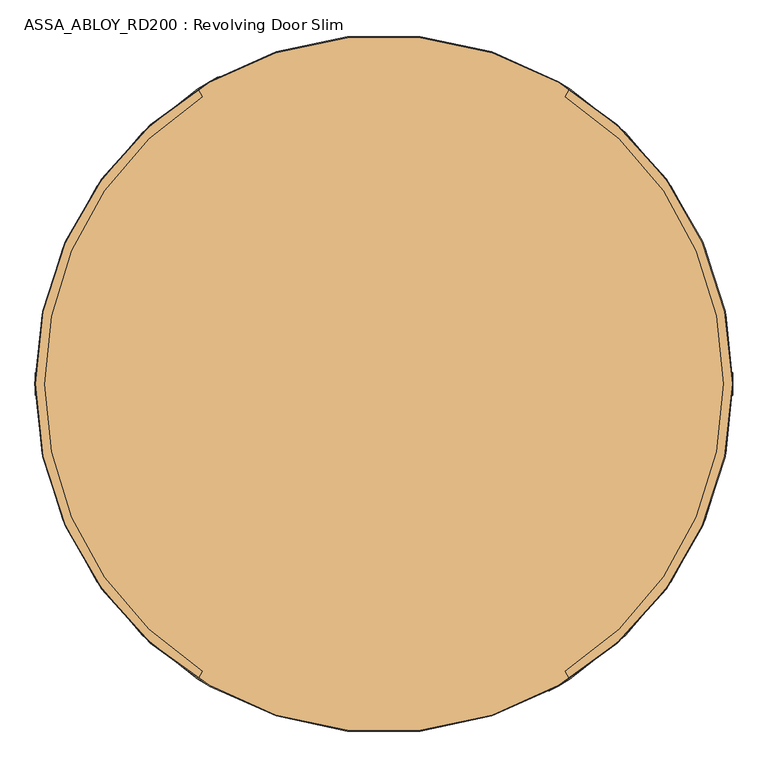
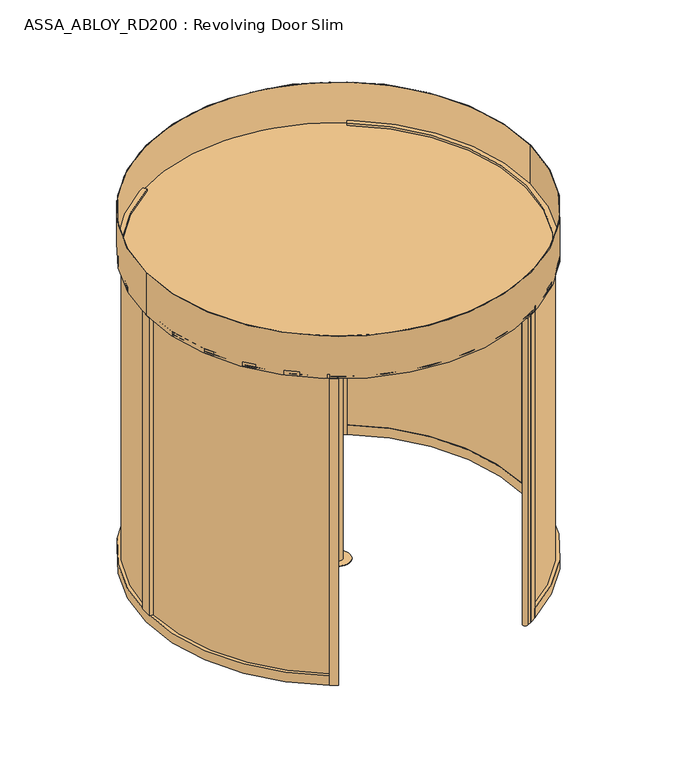
"""IFC4 building model written with IfcOpenShell, lengths in millimetres: door geometry, ASSA_ABLOY_RD200 : Revolving Door Slim."""

from ifc_helpers import new_model, si_unit, point, frame, frame_2d, origin, origin_with_axes, origin_2d, place, context, project, spatial, polyline, circle_curve, trimmed, segment, composite_curve, outline, extrude, source, transform, mapped, element, save


def assa_abloy_rd200_revolving_door_slim_b4590011(model_context):
    return source(origin(), model_context, "Body", "SweptSolid", [
        extrude(outline(polyline([(28.0, -1407.4407922), (47.8848654, -1414.768158), (47.8848654, -1418.3412198), (28.0, -1425.6685856), (28.0, -1422.8463846), (33.6340452, -1420.842363), (33.6340452, -1412.2721931), (28.0, -1410.2681716), (28.0, -1407.4407922)]), holes=[polyline([(35.9539462, -1413.126621), (35.9539462, -1420.0034703), (45.4562191, -1416.5546889), (35.9539462, -1413.126621)])]), frame((0.0, -22.0, 0.0), z_axis=(0.0, 1.0, 0.0), x_axis=(0.0, 0.0, 1.0)), (0.0, 0.0, 1.0), 2.0),
        extrude(outline(polyline([(33.6858287, -1389.8758278), (36.999973, -1391.0383674), (38.7709688, -1394.505273), (39.3172847, -1397.2731013), (39.7703904, -1399.7923687), (40.8500765, -1402.1355723), (42.794547, -1402.8009903), (45.0290052, -1401.4442625), (45.8963789, -1397.8556657), (45.2361392, -1393.8761034), (43.5764779, -1390.5386566), (46.7870552, -1390.5386566), (47.804601, -1393.7466447), (48.2162799, -1397.7262069), (46.6239371, -1403.269631), (42.5408079, -1405.4523057), (39.0195296, -1404.1292372), (37.1087183, -1400.061643), (36.6685585, -1397.4931812), (36.2283987, -1395.2405988), (35.2574581, -1393.1977395), (33.3129875, -1392.5271432), (30.8946979, -1393.9330653), (29.9884865, -1397.8660224), (30.6772071, -1401.6772883), (32.6398019, -1405.4523057), (29.2790525, -1405.4523057), (28.0750861, -1401.9051357), (27.6685856, -1397.9747678), (28.147583, -1394.4949163), (29.4810082, -1391.9678813), (31.3944087, -1390.4247329), (33.6858287, -1389.8758278)])), frame((0.0, -22.0, 0.0), z_axis=(0.0, 1.0, 0.0), x_axis=(0.0, 0.0, 1.0)), (0.0, 0.0, 1.0), 2.0),
        extrude(outline(polyline([(33.6858287, -1370.9852056), (36.999973, -1372.1477453), (38.7709688, -1375.6146508), (39.3172847, -1378.3824791), (39.7703904, -1380.9017466), (40.8500765, -1383.2449501), (42.794547, -1383.9103681), (45.0290052, -1382.5536403), (45.8963789, -1378.9650435), (45.2361392, -1374.9854813), (43.5764779, -1371.6480344), (46.7870552, -1371.6480344), (47.804601, -1374.8560225), (48.2162799, -1378.8355848), (46.6239371, -1384.3790088), (42.5408079, -1386.5616835), (39.0195296, -1385.238615), (37.1087183, -1381.1710208), (36.6685585, -1378.602559), (36.2283987, -1376.3499766), (35.2574581, -1374.3071174), (33.3129875, -1373.636521), (30.8946979, -1375.0424431), (29.9884865, -1378.9754002), (30.6772071, -1382.7866661), (32.6398019, -1386.5616835), (29.2790525, -1386.5616835), (28.0750861, -1383.0145135), (27.6685856, -1379.0841456), (28.147583, -1375.6042941), (29.4810082, -1373.0772591), (31.3944087, -1371.5341107), (33.6858287, -1370.9852056)])), frame((0.0, -22.0, 0.0), z_axis=(0.0, 1.0, 0.0), x_axis=(0.0, 0.0, 1.0)), (0.0, 0.0, 1.0), 2.0),
        extrude(outline(polyline([(28.0, -1350.7689257), (47.8848654, -1358.0962915), (47.8848654, -1361.6693533), (28.0, -1368.996719), (28.0, -1366.1745181), (33.6340452, -1364.1704965), (33.6340452, -1355.6003266), (28.0, -1353.596305), (28.0, -1350.7689257)]), holes=[polyline([(35.9539462, -1356.4547544), (35.9539462, -1363.3316037), (45.4562191, -1359.8828224), (35.9539462, -1356.4547544)])]), frame((0.0, -22.0, 0.0), z_axis=(0.0, 1.0, 0.0), x_axis=(0.0, 0.0, 1.0)), (0.0, 0.0, 1.0), 2.0),
        extrude(outline(polyline([(28.0, -1322.2672852), (47.8848654, -1329.594651), (47.8848654, -1333.1677128), (28.0, -1340.4950786), (28.0, -1337.6728776), (33.6340452, -1335.668856), (33.6340452, -1327.0986861), (28.0, -1325.0946645), (28.0, -1322.2672852)]), holes=[polyline([(35.9539462, -1327.953114), (35.9539462, -1334.8299633), (45.4562191, -1331.3811819), (35.9539462, -1327.953114)])]), frame((0.0, -22.0, 0.0), z_axis=(0.0, 1.0, 0.0), x_axis=(0.0, 0.0, 1.0)), (0.0, 0.0, 1.0), 2.0),
        extrude(outline(polyline([(34.1311668, -1304.0394919), (37.561824, -1305.2097991), (39.4441543, -1308.4100196), (41.0597997, -1306.4370681), (43.4521975, -1305.696564), (45.5960346, -1306.2014532), (47.0615077, -1307.824866), (47.7269258, -1309.9402222), (47.8848654, -1313.2673123), (47.8848654, -1319.2845554), (28.0, -1319.2845554), (28.0, -1312.1177185), (28.3754304, -1308.6482237), (29.6311804, -1306.1419022), (31.5083324, -1304.6091105), (34.1311668, -1304.0394919)]), holes=[polyline([(41.5595105, -1309.6631804), (39.9309193, -1313.0498216), (39.9309193, -1316.63324), (45.5649645, -1316.63324), (45.5649645, -1313.3294525), (45.4795217, -1311.0069623), (41.5595105, -1309.6631804)]), polyline([(34.0172431, -1306.6908073), (32.3187442, -1307.0507027), (31.148437, -1308.1821722), (30.4985541, -1310.0645026), (30.319901, -1313.0083948), (30.319901, -1316.63324), (37.6110183, -1316.63324), (37.6110183, -1312.3352092), (37.5126296, -1310.0308433), (37.0828266, -1308.4203763), (35.8995735, -1307.0636485), (34.0172431, -1306.6908073)])]), frame((0.0, -22.0, 0.0), z_axis=(0.0, 1.0, 0.0), x_axis=(0.0, 0.0, 1.0)), (0.0, 0.0, 1.0), 2.0),
        extrude(outline(polyline([(28.0, -1287.8001851), (30.319901, -1287.8001851), (30.319901, -1297.7426179), (47.8848654, -1297.7426179), (47.8848654, -1300.3939332), (28.0, -1300.3939332), (28.0, -1287.8001851)])), frame((0.0, -22.0, 0.0), z_axis=(0.0, 1.0, 0.0), x_axis=(0.0, 0.0, 1.0)), (0.0, 0.0, 1.0), 2.0),
        extrude(outline(polyline([(45.5390727, -1270.3905712), (47.5197917, -1273.2464314), (48.2162799, -1277.0343947), (47.5275593, -1280.7861095), (45.5390727, -1283.6678615), (42.2611769, -1285.5113543), (37.9372544, -1286.143113), (33.5770834, -1285.5035867), (30.3561494, -1283.6782182), (28.3573062, -1280.7990554), (27.6685856, -1277.0343947), (28.3443603, -1273.2593773), (30.3561494, -1270.3905712), (33.571905, -1268.5677918), (37.9372544, -1267.9153197), (42.292247, -1268.554846), (45.5390727, -1270.3905712)]), holes=[polyline([(37.9372544, -1270.5666351), (32.0339349, -1272.3169175), (29.9884865, -1277.024038), (32.0339349, -1281.7337477), (37.9372544, -1283.4917976), (43.8250388, -1281.7674069), (45.8963789, -1277.024038), (43.8250388, -1272.2962041), (37.9372544, -1270.5666351)])]), frame((0.0, -22.0, 0.0), z_axis=(0.0, 1.0, 0.0), x_axis=(0.0, 0.0, 1.0)), (0.0, 0.0, 1.0), 2.0),
        extrude(outline(polyline([(47.8848654, -1249.0246975), (47.8848654, -1252.1938479), (38.9884595, -1257.6259375), (47.8848654, -1263.1149889), (47.8848654, -1266.2582476), (36.4407111, -1258.9671302), (28.0, -1258.9671302), (28.0, -1256.3158148), (36.720342, -1256.3158148), (47.8848654, -1249.0246975)])), frame((0.0, -22.0, 0.0), z_axis=(0.0, 1.0, 0.0), x_axis=(0.0, 0.0, 1.0)), (0.0, 0.0, 1.0), 2.0),
        extrude(outline(polyline([(28.0, -1267.9153197), (28.0, -1265.0879404), (33.6340452, -1263.0839188), (33.6340452, -1254.5137489), (28.0, -1252.5097273), (28.0, -1249.6875264), (47.8848654, -1257.0148921), (47.8848654, -1260.5879539), (28.0, -1267.9153197)]), holes=[polyline([(35.9539462, -1262.229491), (45.4562191, -1258.801423), (35.9539462, -1255.3526417), (35.9539462, -1262.229491)])]), frame((0.0, 20.0, 0.0), z_axis=(0.0, 1.0, 0.0), x_axis=(0.0, 0.0, 1.0)), (0.0, 0.0, 1.0), 2.0),
        extrude(outline(polyline([(33.6858287, -1285.4802842), (31.3944087, -1284.931379), (29.4810082, -1283.3882306), (28.147583, -1280.8611956), (27.6685856, -1277.3813442), (28.0750861, -1273.4509762), (29.2790525, -1269.9038062), (32.6398019, -1269.9038062), (30.6772071, -1273.6788237), (29.9884865, -1277.4900895), (30.8946979, -1281.4230466), (33.3129875, -1282.8289688), (35.2574581, -1282.1583724), (36.2283987, -1280.1155132), (36.6685585, -1277.8629308), (37.1087183, -1275.294469), (39.0195296, -1271.2268747), (42.5408079, -1269.9038062), (46.6239371, -1272.0864809), (48.2162799, -1277.629905), (47.804601, -1281.6094673), (46.7870552, -1284.8174553), (43.5764779, -1284.8174553), (45.2361392, -1281.4800085), (45.8963789, -1277.5004462), (45.0290052, -1273.9118494), (42.794547, -1272.5551216), (40.8500765, -1273.2205396), (39.7703904, -1275.5637432), (39.3172847, -1278.0830106), (38.7709688, -1280.8508389), (36.999973, -1284.3177445), (33.6858287, -1285.4802842)])), frame((0.0, 20.0, 0.0), z_axis=(0.0, 1.0, 0.0), x_axis=(0.0, 0.0, 1.0)), (0.0, 0.0, 1.0), 2.0),
        extrude(outline(polyline([(33.6858287, -1304.3709063), (31.3944087, -1303.8220012), (29.4810082, -1302.2788528), (28.147583, -1299.7518178), (27.6685856, -1296.2719663), (28.0750861, -1292.3415984), (29.2790525, -1288.7944284), (32.6398019, -1288.7944284), (30.6772071, -1292.5694458), (29.9884865, -1296.3807117), (30.8946979, -1300.3136688), (33.3129875, -1301.7195909), (35.2574581, -1301.0489946), (36.2283987, -1299.0061353), (36.6685585, -1296.7535529), (37.1087183, -1294.1850911), (39.0195296, -1290.1174969), (42.5408079, -1288.7944284), (46.6239371, -1290.9771031), (48.2162799, -1296.5205272), (47.804601, -1300.5000894), (46.7870552, -1303.7080775), (43.5764779, -1303.7080775), (45.2361392, -1300.3706307), (45.8963789, -1296.3910684), (45.0290052, -1292.8024716), (42.794547, -1291.4457438), (40.8500765, -1292.1111618), (39.7703904, -1294.4543654), (39.3172847, -1296.9736328), (38.7709688, -1299.7414611), (36.999973, -1303.2083667), (33.6858287, -1304.3709063)])), frame((0.0, 20.0, 0.0), z_axis=(0.0, 1.0, 0.0), x_axis=(0.0, 0.0, 1.0)), (0.0, 0.0, 1.0), 2.0),
        extrude(outline(polyline([(28.0, -1324.5871862), (28.0, -1321.7598069), (33.6340452, -1319.7557853), (33.6340452, -1311.1856154), (28.0, -1309.1815938), (28.0, -1306.3593929), (47.8848654, -1313.6867587), (47.8848654, -1317.2598204), (28.0, -1324.5871862)]), holes=[polyline([(35.9539462, -1318.9013575), (45.4562191, -1315.4732895), (35.9539462, -1312.0245082), (35.9539462, -1318.9013575)])]), frame((0.0, 20.0, 0.0), z_axis=(0.0, 1.0, 0.0), x_axis=(0.0, 0.0, 1.0)), (0.0, 0.0, 1.0), 2.0),
        extrude(outline(polyline([(28.0, -1353.0888267), (28.0, -1350.2614474), (33.6340452, -1348.2574258), (33.6340452, -1339.6872559), (28.0, -1337.6832343), (28.0, -1334.8610334), (47.8848654, -1342.1883991), (47.8848654, -1345.7614609), (28.0, -1353.0888267)]), holes=[polyline([(35.9539462, -1347.402998), (45.4562191, -1343.97493), (35.9539462, -1340.5261487), (35.9539462, -1347.402998)])]), frame((0.0, 20.0, 0.0), z_axis=(0.0, 1.0, 0.0), x_axis=(0.0, 0.0, 1.0)), (0.0, 0.0, 1.0), 2.0),
        extrude(outline(polyline([(34.1311668, -1371.31662), (31.5083324, -1370.7470015), (29.6311804, -1369.2142098), (28.3754304, -1366.7078882), (28.0, -1363.2383934), (28.0, -1356.0715565), (47.8848654, -1356.0715565), (47.8848654, -1362.0887996), (47.7269258, -1365.4158898), (47.0615077, -1367.5312459), (45.5960346, -1369.1546587), (43.4521975, -1369.6595479), (41.0597997, -1368.9190438), (39.4441543, -1366.9460923), (37.561824, -1370.1463128), (34.1311668, -1371.31662)]), holes=[polyline([(41.5595105, -1365.6929315), (45.4795217, -1364.3491496), (45.5649645, -1362.0266594), (45.5649645, -1358.7228719), (39.9309193, -1358.7228719), (39.9309193, -1362.3062904), (41.5595105, -1365.6929315)]), polyline([(34.0172431, -1368.6653046), (35.8995735, -1368.2924634), (37.0828266, -1366.9357356), (37.5126296, -1365.3252686), (37.6110183, -1363.0209027), (37.6110183, -1358.7228719), (30.319901, -1358.7228719), (30.319901, -1362.3477172), (30.4985541, -1365.2916094), (31.148437, -1367.1739397), (32.3187442, -1368.3054093), (34.0172431, -1368.6653046)])]), frame((0.0, 20.0, 0.0), z_axis=(0.0, 1.0, 0.0), x_axis=(0.0, 0.0, 1.0)), (0.0, 0.0, 1.0), 2.0),
        extrude(outline(polyline([(28.0, -1387.5559268), (28.0, -1374.9621787), (47.8848654, -1374.9621787), (47.8848654, -1377.6134941), (30.319901, -1377.6134941), (30.319901, -1387.5559268), (28.0, -1387.5559268)])), frame((0.0, 20.0, 0.0), z_axis=(0.0, 1.0, 0.0), x_axis=(0.0, 0.0, 1.0)), (0.0, 0.0, 1.0), 2.0),
        extrude(outline(polyline([(45.5390727, -1404.9655408), (42.292247, -1406.801266), (37.9372544, -1407.4407922), (33.571905, -1406.7883201), (30.3561494, -1404.9655408), (28.3443603, -1402.0967347), (27.6685856, -1398.3217172), (28.3573062, -1394.5570565), (30.3561494, -1391.6778937), (33.5770834, -1389.8525252), (37.9372544, -1389.2129989), (42.2611769, -1389.8447577), (45.5390727, -1391.6882504), (47.5275593, -1394.5700024), (48.2162799, -1398.3217172), (47.5197917, -1402.1096805), (45.5390727, -1404.9655408)]), holes=[polyline([(37.9372544, -1404.7894769), (43.8250388, -1403.0599078), (45.8963789, -1398.3320739), (43.8250388, -1393.588705), (37.9372544, -1391.8643143), (32.0339349, -1393.6223643), (29.9884865, -1398.3320739), (32.0339349, -1403.0391944), (37.9372544, -1404.7894769)])]), frame((0.0, 20.0, 0.0), z_axis=(0.0, 1.0, 0.0), x_axis=(0.0, 0.0, 1.0)), (0.0, 0.0, 1.0), 2.0),
        extrude(outline(polyline([(47.8848654, -1426.3314144), (36.720342, -1419.0402971), (28.0, -1419.0402971), (28.0, -1416.3889817), (36.4407111, -1416.3889817), (47.8848654, -1409.0978644), (47.8848654, -1412.241123), (38.9884595, -1417.7301744), (47.8848654, -1423.162264), (47.8848654, -1426.3314144)])), frame((0.0, 20.0, 0.0), z_axis=(0.0, 1.0, 0.0), x_axis=(0.0, 0.0, 1.0)), (0.0, 0.0, 1.0), 2.0),
        extrude(outline(composite_curve([segment(polyline([(-750.0, 1299.0381057), (-770.0, 1333.6791218)]), True, "CONTINUOUS"), segment(trimmed(circle_curve(origin_2d(), 1540.0), [point((-770.0, 1333.6791218))], [point((-735.0991998, 1353.2291626))], False, "CARTESIAN"), True, "CONTINUOUS"), segment(trimmed(circle_curve(frame_2d((-725.5459259, 1335.642735)), 20.0136823), [point((-735.0991998, 1353.2291626))], [point((-715.0922698, 1318.5761433))], False, "CARTESIAN"), True, "CONTINUOUS"), segment(trimmed(circle_curve(origin_2d(), 1500.0), [point((-715.0922698, 1318.5761433))], [point((-750.0, 1299.0381057))], True, "CARTESIAN"), True, "CONTINUOUS")], self_intersect=False)), origin_with_axes(), (0.0, 0.0, 1.0), 2600.0),
        extrude(outline(composite_curve([segment(polyline([(750.0, -1299.0381057), (770.0, -1333.6791218)]), True, "CONTINUOUS"), segment(trimmed(circle_curve(origin_2d(), 1540.0), [point((770.0, -1333.6791218))], [point((735.0991998, -1353.2291626))], False, "CARTESIAN"), True, "CONTINUOUS"), segment(trimmed(circle_curve(frame_2d((725.5459259, -1335.642735)), 20.0136823), [point((735.0991998, -1353.2291626))], [point((715.0922698, -1318.5761433))], False, "CARTESIAN"), True, "CONTINUOUS"), segment(trimmed(circle_curve(origin_2d(), 1500.0), [point((715.0922698, -1318.5761433))], [point((750.0, -1299.0381057))], True, "CARTESIAN"), True, "CONTINUOUS")], self_intersect=False)), origin_with_axes(), (0.0, 0.0, 1.0), 2600.0),
        extrude(outline(composite_curve([segment(trimmed(circle_curve(origin_2d(), 1526.0), [point((-1526.0, 0.0))], [point((1526.0, 0.0))], False, "CARTESIAN"), True, "CONTINUOUS"), segment(trimmed(circle_curve(origin_2d(), 1526.0), [point((1526.0, 0.0))], [point((-1526.0, 0.0))], False, "CARTESIAN"), True, "CONTINUOUS")], self_intersect=False)), frame((0.0, 0.0, 2600.0), z_axis=(0.0, 0.0, 1.0), x_axis=(1.0, 0.0, 0.0)), (0.0, 0.0, 1.0), 16.0),
        extrude(outline(composite_curve([segment(polyline([(-821.3768867, 1302.4599245), (-801.361284, 1267.7918838)]), True, "CONTINUOUS"), segment(trimmed(circle_curve(frame_2d((0.0, -0.2065754)), 1500.0), [point((-801.361284, 1267.7918838))], [point((-801.361284, -1268.2050346))], True, "CARTESIAN"), True, "CONTINUOUS"), segment(polyline([(-801.361284, -1268.2050346), (-821.3768867, -1302.8730753)]), True, "CONTINUOUS"), segment(trimmed(circle_curve(frame_2d((0.0, -0.2065754)), 1540.0), [point((-821.3768867, -1302.8730753))], [point((-821.3768867, 1302.4599245))], False, "CARTESIAN"), True, "CONTINUOUS")], self_intersect=False)), frame((0.0, 0.0, 2603.0), z_axis=(0.0, 0.0, 1.0), x_axis=(1.0, 0.0, 0.0)), (0.0, 0.0, 1.0), 35.0),
        extrude(outline(composite_curve([segment(polyline([(-821.3768867, -1302.8730753), (-801.361284, -1268.2050346)]), True, "CONTINUOUS"), segment(trimmed(circle_curve(frame_2d((0.0, -0.2065754)), 1500.0), [point((-801.361284, -1268.2050346))], [point((-750.0, -1299.2446811))], True, "CARTESIAN"), True, "CONTINUOUS"), segment(polyline([(-750.0, -1299.2446811), (-770.0, -1333.8856972)]), True, "CONTINUOUS"), segment(trimmed(circle_curve(frame_2d((0.0, -0.2065754)), 1540.0), [point((-770.0, -1333.8856972))], [point((-821.3768867, -1302.8730753))], False, "CARTESIAN"), True, "CONTINUOUS")], self_intersect=False)), frame((0.0, 0.0, 3.0), z_axis=(0.0, 0.0, 1.0), x_axis=(1.0, 0.0, 0.0)), (0.0, 0.0, 1.0), 2600.0),
        extrude(outline(composite_curve([segment(polyline([(-770.0, 1333.4725464), (-750.0, 1298.8315303)]), True, "CONTINUOUS"), segment(trimmed(circle_curve(frame_2d((0.0, -0.2065754)), 1500.0), [point((-750.0, 1298.8315303))], [point((-801.361284, 1267.7918838))], True, "CARTESIAN"), True, "CONTINUOUS"), segment(polyline([(-801.361284, 1267.7918838), (-821.3768867, 1302.4599245)]), True, "CONTINUOUS"), segment(trimmed(circle_curve(frame_2d((0.0, -0.2065754)), 1540.0), [point((-821.3768867, 1302.4599245))], [point((-770.0, 1333.4725464))], False, "CARTESIAN"), True, "CONTINUOUS")], self_intersect=False)), frame((0.0, 0.0, 3.0), z_axis=(0.0, 0.0, 1.0), x_axis=(1.0, 0.0, 0.0)), (0.0, 0.0, 1.0), 2600.0),
        extrude(outline(composite_curve([segment(polyline([(-1512.1736011, -50.2065754), (-1504.1692059, -50.2065754)]), True, "CONTINUOUS"), segment(trimmed(circle_curve(frame_2d((0.0, -0.2065754)), 1505.0), [point((-1504.1692059, -50.2065754))], [point((-803.8632798, -1272.5386183))], True, "CARTESIAN"), True, "CONTINUOUS"), segment(polyline([(-803.8632798, -1272.5386183), (-807.8664455, -1279.4723047)]), True, "CONTINUOUS"), segment(trimmed(circle_curve(frame_2d((0.0, -0.2065754)), 1513.0), [point((-807.8664455, -1279.4723047))], [point((-1512.1736011, -50.2065754))], False, "CARTESIAN"), True, "CONTINUOUS")], self_intersect=False)), frame((0.0, 0.0, 83.0), z_axis=(0.0, 0.0, 1.0), x_axis=(1.0, 0.0, 0.0)), (0.0, 0.0, 1.0), 2520.0),
        extrude(outline(composite_curve([segment(polyline([(-807.8664455, 1279.0591539), (-803.8632798, 1272.1254675)]), True, "CONTINUOUS"), segment(trimmed(circle_curve(frame_2d((0.0, -0.2065754)), 1505.0), [point((-803.8632798, 1272.1254675))], [point((-1504.1692059, 49.7934246))], True, "CARTESIAN"), True, "CONTINUOUS"), segment(polyline([(-1504.1692059, 49.7934246), (-1512.1736011, 49.7934246)]), True, "CONTINUOUS"), segment(trimmed(circle_curve(frame_2d((0.0, -0.2065754)), 1513.0), [point((-1512.1736011, 49.7934246))], [point((-807.8664455, 1279.0591539))], False, "CARTESIAN"), True, "CONTINUOUS")], self_intersect=False)), frame((0.0, 0.0, 83.0), z_axis=(0.0, 0.0, 1.0), x_axis=(1.0, 0.0, 0.0)), (0.0, 0.0, 1.0), 2520.0),
        extrude(outline(polyline([(-1540.0, -50.2065754), (-1540.0, 49.7934246), (-1500.0, 49.7934246), (-1500.0, -50.2065754), (-1540.0, -50.2065754)])), frame((0.0, 0.0, 83.0), z_axis=(0.0, 0.0, 1.0), x_axis=(1.0, 0.0, 0.0)), (0.0, 0.0, 1.0), 2520.0),
        extrude(outline(composite_curve([segment(polyline([(-821.3768867, 1302.4599245), (-801.361284, 1267.7918838)]), True, "CONTINUOUS"), segment(trimmed(circle_curve(frame_2d((0.0, -0.2065754)), 1500.0), [point((-801.361284, 1267.7918838))], [point((-801.361284, -1268.2050346))], True, "CARTESIAN"), True, "CONTINUOUS"), segment(polyline([(-801.361284, -1268.2050346), (-821.3768867, -1302.8730753)]), True, "CONTINUOUS"), segment(trimmed(circle_curve(frame_2d((0.0, -0.2065754)), 1540.0), [point((-821.3768867, -1302.8730753))], [point((-821.3768867, 1302.4599245))], False, "CARTESIAN"), True, "CONTINUOUS")], self_intersect=False)), frame((0.0, 0.0, 3.0), z_axis=(0.0, 0.0, 1.0), x_axis=(1.0, 0.0, 0.0)), (0.0, 0.0, 1.0), 80.0),
        extrude(outline(composite_curve([segment(trimmed(circle_curve(origin_2d(), 1540.0), [point((821.3768867, 1302.6664999))], [point((821.3768867, -1302.6664999))], False, "CARTESIAN"), True, "CONTINUOUS"), segment(polyline([(821.3768867, -1302.6664999), (801.361284, -1267.9984592)]), True, "CONTINUOUS"), segment(trimmed(circle_curve(origin_2d(), 1500.0), [point((801.361284, -1267.9984592))], [point((801.361284, 1267.9984592))], True, "CARTESIAN"), True, "CONTINUOUS"), segment(polyline([(801.361284, 1267.9984592), (821.3768867, 1302.6664999)]), True, "CONTINUOUS")], self_intersect=False)), frame((0.0, 0.0, 2600.0), z_axis=(0.0, 0.0, 1.0), x_axis=(1.0, 0.0, 0.0)), (0.0, 0.0, 1.0), 35.0),
        extrude(outline(composite_curve([segment(trimmed(circle_curve(origin_2d(), 1540.0), [point((821.3768867, -1302.6664999))], [point((770.0, -1333.6791218))], False, "CARTESIAN"), True, "CONTINUOUS"), segment(polyline([(770.0, -1333.6791218), (750.0, -1299.0381057)]), True, "CONTINUOUS"), segment(trimmed(circle_curve(origin_2d(), 1500.0), [point((750.0, -1299.0381057))], [point((801.361284, -1267.9984592))], True, "CARTESIAN"), True, "CONTINUOUS"), segment(polyline([(801.361284, -1267.9984592), (821.3768867, -1302.6664999)]), True, "CONTINUOUS")], self_intersect=False)), origin_with_axes(), (0.0, 0.0, 1.0), 2600.0),
        extrude(outline(composite_curve([segment(trimmed(circle_curve(origin_2d(), 1540.0), [point((770.0, 1333.6791218))], [point((821.3768867, 1302.6664999))], False, "CARTESIAN"), True, "CONTINUOUS"), segment(polyline([(821.3768867, 1302.6664999), (801.361284, 1267.9984592)]), True, "CONTINUOUS"), segment(trimmed(circle_curve(origin_2d(), 1500.0), [point((801.361284, 1267.9984592))], [point((750.0, 1299.0381057))], True, "CARTESIAN"), True, "CONTINUOUS"), segment(polyline([(750.0, 1299.0381057), (770.0, 1333.6791218)]), True, "CONTINUOUS")], self_intersect=False)), origin_with_axes(), (0.0, 0.0, 1.0), 2600.0),
        extrude(outline(composite_curve([segment(trimmed(circle_curve(origin_2d(), 1513.0), [point((1512.1736011, -50.0))], [point((807.8664455, -1279.2657293))], False, "CARTESIAN"), True, "CONTINUOUS"), segment(polyline([(807.8664455, -1279.2657293), (803.8632798, -1272.3320429)]), True, "CONTINUOUS"), segment(trimmed(circle_curve(origin_2d(), 1505.0), [point((803.8632798, -1272.3320429))], [point((1504.1692059, -50.0))], True, "CARTESIAN"), True, "CONTINUOUS"), segment(polyline([(1504.1692059, -50.0), (1512.1736011, -50.0)]), True, "CONTINUOUS")], self_intersect=False)), frame((0.0, 0.0, 80.0), z_axis=(0.0, 0.0, 1.0), x_axis=(1.0, 0.0, 0.0)), (0.0, 0.0, 1.0), 2520.0),
        extrude(outline(composite_curve([segment(trimmed(circle_curve(origin_2d(), 1513.0), [point((807.8664455, 1279.2657293))], [point((1512.1736011, 50.0))], False, "CARTESIAN"), True, "CONTINUOUS"), segment(polyline([(1512.1736011, 50.0), (1504.1692059, 50.0)]), True, "CONTINUOUS"), segment(trimmed(circle_curve(origin_2d(), 1505.0), [point((1504.1692059, 50.0))], [point((803.8632798, 1272.3320429))], True, "CARTESIAN"), True, "CONTINUOUS"), segment(polyline([(803.8632798, 1272.3320429), (807.8664455, 1279.2657293)]), True, "CONTINUOUS")], self_intersect=False)), frame((0.0, 0.0, 80.0), z_axis=(0.0, 0.0, 1.0), x_axis=(1.0, 0.0, 0.0)), (0.0, 0.0, 1.0), 2520.0),
        extrude(outline(polyline([(1540.0, -50.0), (1500.0, -50.0), (1500.0, 50.0), (1540.0, 50.0), (1540.0, -50.0)])), frame((0.0, 0.0, 80.0), z_axis=(0.0, 0.0, 1.0), x_axis=(1.0, 0.0, 0.0)), (0.0, 0.0, 1.0), 2520.0),
        extrude(outline(composite_curve([segment(trimmed(circle_curve(origin_2d(), 1540.0), [point((821.3768867, 1302.6664999))], [point((821.3768867, -1302.6664999))], False, "CARTESIAN"), True, "CONTINUOUS"), segment(polyline([(821.3768867, -1302.6664999), (801.361284, -1267.9984592)]), True, "CONTINUOUS"), segment(trimmed(circle_curve(origin_2d(), 1500.0), [point((801.361284, -1267.9984592))], [point((801.361284, 1267.9984592))], True, "CARTESIAN"), True, "CONTINUOUS"), segment(polyline([(801.361284, 1267.9984592), (821.3768867, 1302.6664999)]), True, "CONTINUOUS")], self_intersect=False)), origin_with_axes(), (0.0, 0.0, 1.0), 80.0),
        extrude(outline(composite_curve([segment(trimmed(circle_curve(origin_2d(), 1541.0), [point((-1541.0, 0.0))], [point((1541.0, 0.0))], False, "CARTESIAN"), True, "CONTINUOUS"), segment(trimmed(circle_curve(origin_2d(), 1541.0), [point((1541.0, 0.0))], [point((-1541.0, 0.0))], False, "CARTESIAN"), True, "CONTINUOUS")], self_intersect=False), holes=[composite_curve([segment(trimmed(circle_curve(origin_2d(), 1537.0), [point((-1537.0, 0.0))], [point((1537.0, 0.0))], True, "CARTESIAN"), True, "CONTINUOUS"), segment(trimmed(circle_curve(origin_2d(), 1537.0), [point((1537.0, 0.0))], [point((-1537.0, 0.0))], True, "CARTESIAN"), True, "CONTINUOUS")], self_intersect=False)]), frame((0.0, 0.0, 2600.0), z_axis=(0.0, 0.0, 1.0), x_axis=(1.0, 0.0, 0.0)), (0.0, 0.0, 1.0), 360.0),
        extrude(outline(composite_curve([segment(trimmed(circle_curve(origin_2d(), 1541.0), [point((-1541.0, 0.0))], [point((1541.0, 0.0))], False, "CARTESIAN"), True, "CONTINUOUS"), segment(trimmed(circle_curve(origin_2d(), 1541.0), [point((1541.0, 0.0))], [point((-1541.0, 0.0))], False, "CARTESIAN"), True, "CONTINUOUS")], self_intersect=False)), frame((0.0, 0.0, 2600.0), z_axis=(0.0, 0.0, 1.0), x_axis=(1.0, 0.0, 0.0)), (0.0, 0.0, 1.0), 18.0),
        extrude(outline(composite_curve([segment(trimmed(circle_curve(origin_2d(), 34.0), [point((-34.0, 0.0))], [point((34.0, 0.0))], False, "CARTESIAN"), True, "CONTINUOUS"), segment(trimmed(circle_curve(origin_2d(), 34.0), [point((34.0, 0.0))], [point((-34.0, 0.0))], False, "CARTESIAN"), True, "CONTINUOUS")], self_intersect=False)), origin_with_axes(), (0.0, 0.0, 1.0), 2600.0),
        extrude(outline(composite_curve([segment(trimmed(circle_curve(origin_2d(), 94.0), [point((-94.0, 0.0))], [point((94.0, 0.0))], False, "CARTESIAN"), True, "CONTINUOUS"), segment(trimmed(circle_curve(origin_2d(), 94.0), [point((94.0, 0.0))], [point((-94.0, 0.0))], False, "CARTESIAN"), True, "CONTINUOUS")], self_intersect=False)), origin_with_axes(), (0.0, 0.0, 1.0), 3.0),
    ])


if __name__ == "__main__":
    model = new_model("IFC4")
    model_context = context("Model", 3, world=origin())
    ifc_project = project(units=[si_unit("LENGTHUNIT", "METRE", prefix="MILLI")], contexts=[model_context])
    site = spatial("IfcSite", under=ifc_project)
    building = spatial("IfcBuilding", under=site)
    placement = place(None, origin())
    assa_abloy_rd200_revolving_door_slim_shape = assa_abloy_rd200_revolving_door_slim_b4590011(model_context)
    element("IfcDoor", 1, ObjectType="ASSA_ABLOY_RD200 : Revolving Door Slim", at=placement, inside=building, context=model_context, shape_type="MappedRepresentation", body=[
        mapped(assa_abloy_rd200_revolving_door_slim_shape, transform((0.0, 0.0, 0.0), x_axis=(1.0, 0.0, 0.0), y_axis=(0.0, 1.0, 0.0), z_axis=(0.0, 0.0, 1.0))),
    ])
    save(model, "model.ifc")
